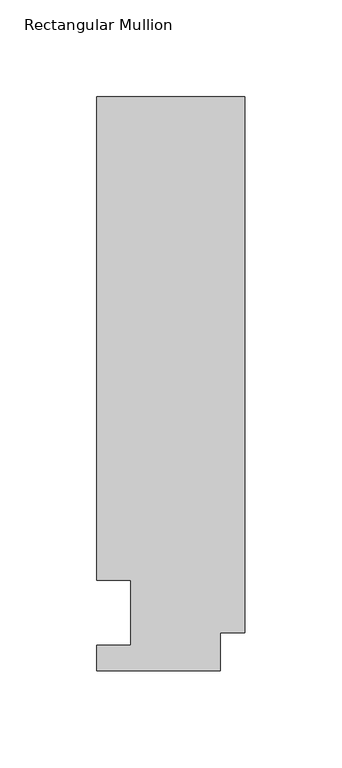
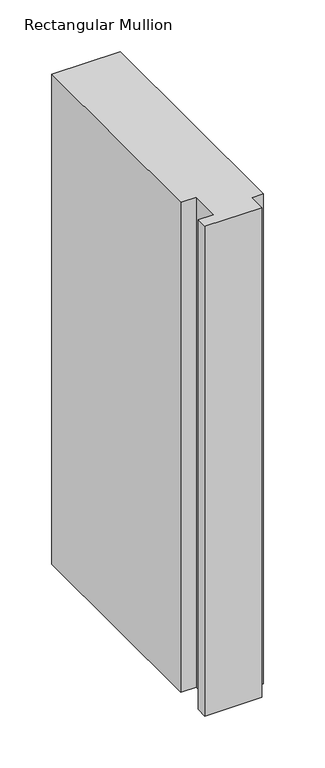
"""IFC4 building model written with IfcOpenShell, lengths in millimetres: member geometry, Rectangular Mullion."""

from ifc_helpers import new_model, si_unit, frame, origin, place, context, project, spatial, polyline, outline, extrude, source, transform, mapped, element, save


def rectangular_mullion_a55c31dc(model_context):
    return source(origin(), model_context, "Body", "SweptSolid", [
        extrude(outline(polyline([(-76.2, 13.224358), (-58.7676635, 13.224358), (-58.7676635, 46.7447302), (-76.2000001, 46.7447302), (-76.2000001, 295.9695313), (0.0, 295.9695313), (0.0, 19.574358), (-12.7, 19.574358), (-12.7, 0.041758), (-76.2, 0.041758), (-76.2, 13.224358)])), frame((0.0, 0.0, -577.85), z_axis=(0.0, 0.0, 1.0), x_axis=(1.0, 0.0, 0.0)), (0.0, 0.0, 1.0), 577.85),
    ])


if __name__ == "__main__":
    model = new_model("IFC4")
    model_context = context("Model", 3, world=origin())
    ifc_project = project(units=[si_unit("LENGTHUNIT", "METRE", prefix="MILLI")], contexts=[model_context])
    site = spatial("IfcSite", under=ifc_project)
    building = spatial("IfcBuilding", under=site)
    placement = place(None, origin())
    rectangular_mullion_shape = rectangular_mullion_a55c31dc(model_context)
    element("IfcMember", 1, ObjectType="Rectangular Mullion", at=placement, inside=building, context=model_context, shape_type="MappedRepresentation", body=[
        mapped(rectangular_mullion_shape, transform((0.0, 0.0, 0.0), x_axis=(1.0, 0.0, 0.0), y_axis=(0.0, 1.0, 0.0), z_axis=(0.0, 0.0, 1.0))),
    ])
    save(model, "model.ifc")
